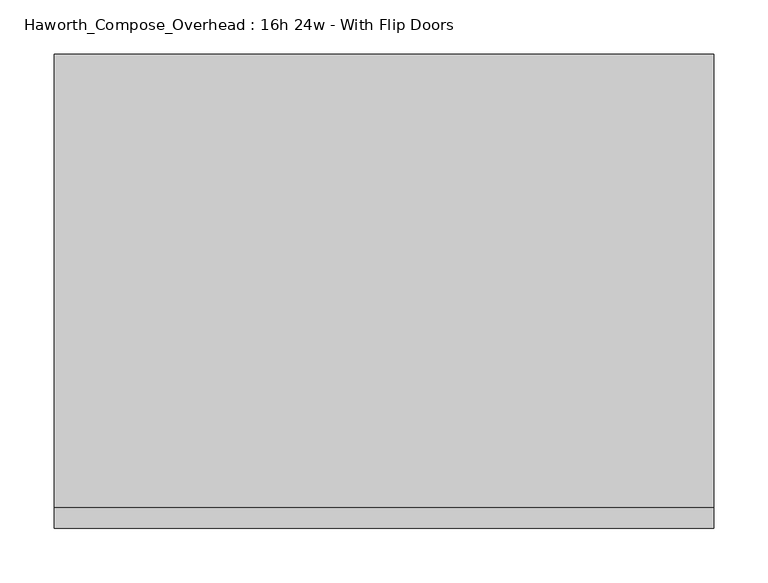
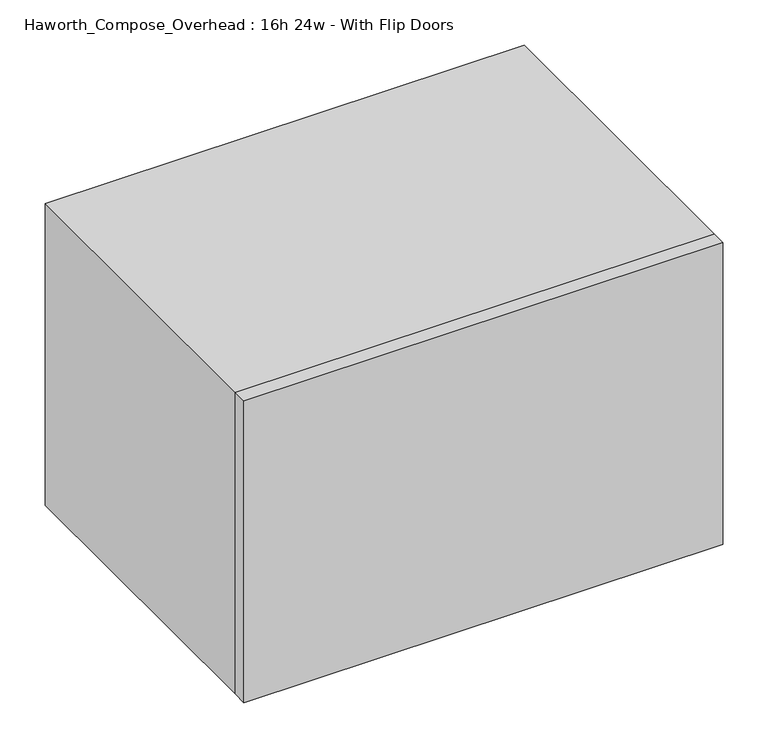
"""IFC4 building model written with IfcOpenShell, lengths in millimetres: furniture geometry, Haworth_Compose_Overhead : 16h 24w - With Flip Doors."""

import ifcopenshell
import ifcopenshell.guid

model = None  # the IFC model being written
_history = None  # IfcOwnerHistory: only IFC2X3 demands one
_inside = {}  # id of a spatial element -> (the spatial element, [elements in it])
_under = {}  # id of a project, library or spatial element -> (it, [spatial elements below it])
_declared = {}  # id of a project -> (the project, [libraries it declares])
_typed = {}  # id of a type object -> (the type object, [elements of that type])
_made_of = {}  # id of a material, layer set ... -> (it, [elements and type objects made of it])


def new_model(schema):
    """Start an empty IFC model of exactly this schema.

    Asked for "IFC4X3", IfcOpenShell would pick the latest addendum, in which some entities
    have other attributes; the version numbers below select the first issue.
    IFC2X3 requires an IfcOwnerHistory on every rooted entity: one is made here for all.
    """
    global model, _history
    if schema == "IFC4X3":
        model = ifcopenshell.file(schema_version=(4, 3, 0, 0))
    else:
        model = ifcopenshell.file(schema=schema)
    _inside.clear()
    _under.clear()
    _declared.clear()
    _typed.clear()
    _made_of.clear()
    _history = None
    if model.schema == "IFC2X3":
        org = make("IfcOrganization", Name="unknown")
        user = make(
            "IfcPersonAndOrganization",
            ThePerson=make("IfcPerson", FamilyName="unknown"),
            TheOrganization=org,
        )
        app = make(
            "IfcApplication",
            ApplicationDeveloper=org,
            Version="unknown",
            ApplicationFullName="unknown",
            ApplicationIdentifier="unknown",
        )
        _history = make(
            "IfcOwnerHistory",
            OwningUser=user,
            OwningApplication=app,
            ChangeAction="ADDED",
            CreationDate=0,
        )
    return model


def make(cls, **values):
    """One entity of the class cls with the attributes given. An attribute that is None is left unset."""
    return model.create_entity(
        cls, **{name: value for name, value in values.items() if value is not None}
    )


def rooted(cls, **values):
    """An entity with a GlobalId (a new one), such as an element, a storey or a relation."""
    return make(cls, GlobalId=ifcopenshell.guid.new(), OwnerHistory=_history, **values)


def si_unit(unit_type, name, prefix=None):
    """IfcSIUnit, for example si_unit("LENGTHUNIT", "METRE", prefix="MILLI")."""
    return make("IfcSIUnit", UnitType=unit_type, Prefix=prefix, Name=name)


def assignment(units):
    """IfcUnitAssignment: the units of a project."""
    return None if units is None else make("IfcUnitAssignment", Units=units)


def point(xyz):
    """IfcCartesianPoint."""
    return None if xyz is None else make("IfcCartesianPoint", Coordinates=xyz)


def direction(xyz):
    """IfcDirection."""
    return None if xyz is None else make("IfcDirection", DirectionRatios=xyz)


def frame(location, z_axis=None, x_axis=None):
    """IfcAxis2Placement3D, a coordinate frame: its origin and axes. An axis left out is left unset."""
    return make(
        "IfcAxis2Placement3D",
        Location=point(location),
        Axis=direction(z_axis),
        RefDirection=direction(x_axis),
    )


def origin():
    """The frame at (0, 0, 0) with its axes left unset."""
    return frame((0.0, 0.0, 0.0))


def place(relative_to, where):
    """IfcLocalPlacement: puts the frame where relative to a parent placement (None: the world)."""
    return make(
        "IfcLocalPlacement", PlacementRelTo=relative_to, RelativePlacement=where
    )


def context(
    kind, dimensions, precision=None, world=None, true_north=None, identifier=None
):
    """IfcGeometricRepresentationContext, for example the 3D "Model" context."""
    return make(
        "IfcGeometricRepresentationContext",
        ContextIdentifier=identifier,
        ContextType=kind,
        CoordinateSpaceDimension=dimensions,
        Precision=precision,
        WorldCoordinateSystem=world,
        TrueNorth=true_north,
    )


def project(units=None, contexts=None):
    """IfcProject with its units and contexts."""
    return rooted(
        "IfcProject",
        Name="project",
        RepresentationContexts=contexts,
        UnitsInContext=assignment(units),
    )


def spatial(cls, under=None, at=None, **own):
    """A site, building, storey or space (cls), placed at a placement, below another one or the project."""
    s = rooted(cls, ObjectPlacement=at, **own)
    if under is not None:
        _under.setdefault(under.id(), (under, []))[1].append(s)
    return s


def polyline(points):
    """IfcPolyline through the points."""
    return make("IfcPolyline", Points=[point(p) for p in points])


def outline(outer, holes=None, kind="AREA"):
    """IfcArbitraryClosedProfileDef: a profile drawn as a closed curve; with holes, ...WithVoids."""
    if holes is None:
        return make("IfcArbitraryClosedProfileDef", ProfileType=kind, OuterCurve=outer)
    return make(
        "IfcArbitraryProfileDefWithVoids",
        ProfileType=kind,
        OuterCurve=outer,
        InnerCurves=holes,
    )


def extrude(swept, where, along, depth):
    """IfcExtrudedAreaSolid: the profile swept, set in the frame where, extruded along a direction by depth."""
    return make(
        "IfcExtrudedAreaSolid",
        SweptArea=swept,
        Position=where,
        ExtrudedDirection=direction(along),
        Depth=depth,
    )


def shape(context_of_items, identifier, shape_type, items):
    """IfcShapeRepresentation: the items that make up one representation, for example the "Body"."""
    return make(
        "IfcShapeRepresentation",
        ContextOfItems=context_of_items,
        RepresentationIdentifier=identifier,
        RepresentationType=shape_type,
        Items=items,
    )


def source(mapping_origin, context_of_items, identifier, shape_type, items):
    """IfcRepresentationMap: a shape defined once, which mapped items show again and again."""
    return make(
        "IfcRepresentationMap",
        MappingOrigin=mapping_origin,
        MappedRepresentation=shape(context_of_items, identifier, shape_type, items),
    )


def transform(
    local_origin,
    x_axis=None,
    y_axis=None,
    z_axis=None,
    scale=None,
    scale2=None,
    scale3=None,
    uniform=True,
):
    """IfcCartesianTransformationOperator3D, or its non-uniform kind. x_axis, y_axis, z_axis: its Axis1, 2, 3."""
    if uniform:
        return make(
            "IfcCartesianTransformationOperator3D",
            Axis1=direction(x_axis),
            Axis2=direction(y_axis),
            LocalOrigin=point(local_origin),
            Scale=scale,
            Axis3=direction(z_axis),
        )
    return make(
        "IfcCartesianTransformationOperator3DnonUniform",
        Axis1=direction(x_axis),
        Axis2=direction(y_axis),
        LocalOrigin=point(local_origin),
        Scale=scale,
        Axis3=direction(z_axis),
        Scale2=scale2,
        Scale3=scale3,
    )


def mapped(mapping_source, mapping_target):
    """IfcMappedItem: shows the shape of a source again, moved by a transform."""
    return make(
        "IfcMappedItem", MappingSource=mapping_source, MappingTarget=mapping_target
    )


def made_of(thing, what):
    """Note that an element or type object is made of a material, layer set ...; save() writes the relation."""
    if what is not None:
        _made_of.setdefault(what.id(), (what, []))[1].append(thing)
    return thing


def element(
    cls,
    number,
    at=None,
    inside=None,
    cuts=None,
    type_object=None,
    material=None,
    context=None,
    identifier="Body",
    shape_type=None,
    held_by="IfcProductDefinitionShape",
    body=None,
    shapes=None,
    **own,
):
    """One element of the class cls, such as IfcWall. Its Tag is "e" and its number.

    at: its placement. inside: the storey or other place that contains it. cuts: it is an
    opening in that element (IfcRelVoidsElement). A single representation is given by context,
    identifier, shape_type and body (its items); several are given by shapes. held_by: the class
    of the entity that holds the representations. save() writes the other relations.
    """
    e = rooted(cls, Tag="e%d" % number, ObjectPlacement=at, **own)
    if body is not None:
        shapes = [shape(context, identifier, shape_type, body)]
    if shapes is not None:
        e.Representation = make(held_by, Representations=shapes)
    if inside is not None:
        _inside.setdefault(inside.id(), (inside, []))[1].append(e)
    if cuts is not None:
        rooted(
            "IfcRelVoidsElement", RelatingBuildingElement=cuts, RelatedOpeningElement=e
        )
    if type_object is not None:
        _typed.setdefault(type_object.id(), (type_object, []))[1].append(e)
    return made_of(e, material)


def aggregate(whole, parts):
    """IfcRelAggregates: a whole, such as a stair, and the parts it consists of."""
    return rooted("IfcRelAggregates", RelatingObject=whole, RelatedObjects=parts)


def save(model, path):
    """Write the relations noted so far, then the file.

    IfcRelAggregates (storeys below a building ...), IfcRelContainedInSpatialStructure (elements
    in a storey), IfcRelDefinesByType, IfcRelAssociatesMaterial and IfcRelDeclares: one each for
    every whole, place, type object, material and project.
    """
    for whole, parts in _under.values():
        aggregate(whole, parts)
    for where, things in _inside.values():
        rooted(
            "IfcRelContainedInSpatialStructure",
            RelatedElements=things,
            RelatingStructure=where,
        )
    for kind, things in _typed.values():
        rooted("IfcRelDefinesByType", RelatedObjects=things, RelatingType=kind)
    for what, things in _made_of.values():
        rooted("IfcRelAssociatesMaterial", RelatedObjects=things, RelatingMaterial=what)
    for by, libraries in _declared.values():
        rooted("IfcRelDeclares", RelatingContext=by, RelatedDefinitions=libraries)
    model.write(path)


def haworth_compose_overhead_16h_24w_with_flip_doors_e5f5b189(model_context):
    return source(origin(), model_context, "Body", "SweptSolid", [
        extrude(outline(polyline([(469.9, -438.15), (-139.7, -438.15), (-139.7, -419.1), (469.9, -419.1), (469.9, -438.15)])), frame((0.0, 0.0, 1270.0), z_axis=(0.0, 0.0, 1.0), x_axis=(1.0, 0.0, 0.0)), (0.0, 0.0, 1.0), 406.4),
        extrude(outline(polyline([(444.5, -6.35), (-114.3, -6.35), (-114.3, 0.0), (444.5, 0.0), (444.5, -6.35)])), frame((0.0, 0.0, 1295.4), z_axis=(0.0, 0.0, 1.0), x_axis=(1.0, 0.0, 0.0)), (0.0, 0.0, 1.0), 355.6),
        extrude(outline(polyline([(1270.0, 469.9), (1676.4, 469.9), (1676.4, -139.7), (1270.0, -139.7), (1270.0, 469.9)]), holes=[polyline([(1651.0, 444.5), (1295.4, 444.5), (1295.4, -114.3), (1651.0, -114.3), (1651.0, 444.5)])]), frame((0.0, -419.1, 0.0), z_axis=(0.0, 1.0, 0.0), x_axis=(0.0, 0.0, 1.0)), (0.0, 0.0, 1.0), 419.1),
    ])


if __name__ == "__main__":
    model = new_model("IFC4")
    model_context = context("Model", 3, world=origin())
    ifc_project = project(units=[si_unit("LENGTHUNIT", "METRE", prefix="MILLI")], contexts=[model_context])
    site = spatial("IfcSite", under=ifc_project)
    building = spatial("IfcBuilding", under=site)
    placement = place(None, origin())
    haworth_compose_overhead_16h_24w_with_flip_doors_shape = haworth_compose_overhead_16h_24w_with_flip_doors_e5f5b189(model_context)
    element("IfcFurniture", 1, ObjectType="Haworth_Compose_Overhead : 16h 24w - With Flip Doors", at=placement, inside=building, context=model_context, shape_type="MappedRepresentation", body=[
        mapped(haworth_compose_overhead_16h_24w_with_flip_doors_shape, transform((0.0, 0.0, 0.0), x_axis=(1.0, 0.0, 0.0), y_axis=(0.0, 1.0, 0.0), z_axis=(0.0, 0.0, 1.0))),
    ])
    save(model, "model.ifc")
